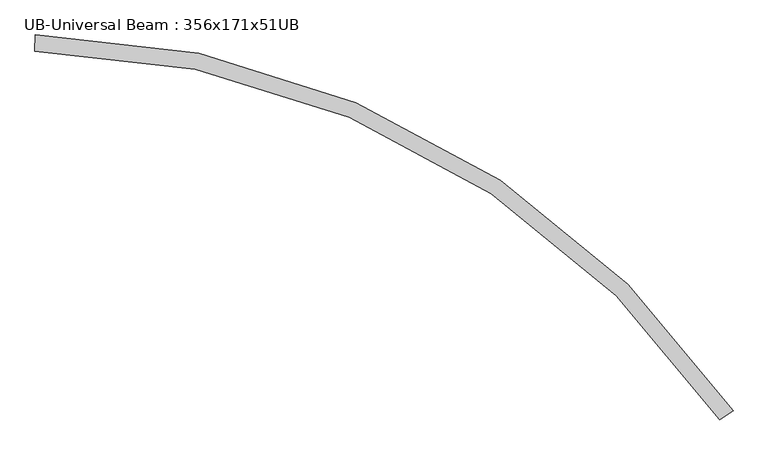
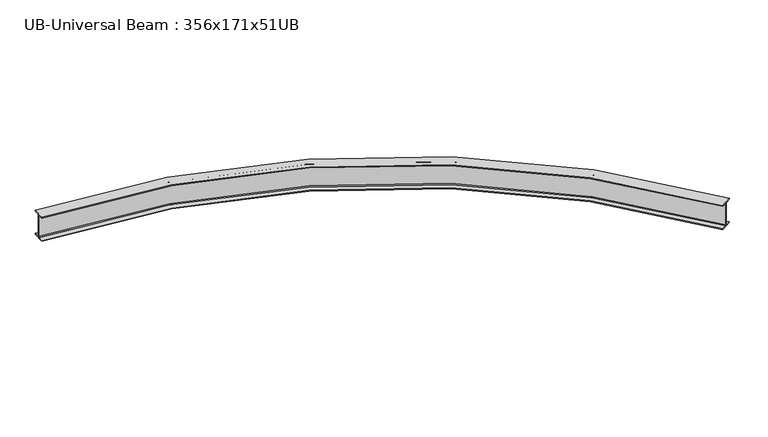
"""IFC4 building model written with IfcOpenShell, lengths in millimetres: beam geometry, UB-Universal Beam : 356x171x51UB."""

from ifc_helpers import new_model, si_unit, point, frame, origin, place, context, project, spatial, polyline, circle_curve, ellipse_curve, trimmed, source, transform, mapped, element, save
from ifc_brep_helpers import plane_surface, cylinder_surface, revolved_surface, advanced_brep


def ub_universal_beam_356x171x51ub_30beb4e2(model_context):
    return source(origin(), model_context, "Body", "AdvancedBrep", [
        advanced_brep(
        [(7578.4772598, -3909.1729478, -166.0), (7519.1991833, -3949.7750678, -166.0), (7510.783924, -3955.5390431, -155.8), (7510.783924, -3955.5390431, 155.8), (7519.1991833, -3949.7750678, 166.0), (7578.4772598, -3909.1729478, 166.0), (7578.4772598, -3909.1729478, 177.5), (7436.9854001, -4006.0868459, 177.5), (7436.9854001, -4006.0868459, 166.0), (7496.2634766, -3965.4847259, 166.0), (7504.6787359, -3959.7207506, 155.8), (7504.6787359, -3959.7207506, -155.8), (7496.2634766, -3965.4847259, -166.0), (7436.9854001, -4006.0868459, -166.0), (7436.9854001, -4006.0868459, -177.5), (7578.4772598, -3909.1729478, -177.5), (159.8113622, 84.3597159, -166.0), (159.8113622, 84.3597159, -177.5), (156.8276485, -87.1143272, -177.5), (156.8276485, -87.1143272, -166.0), (158.0776767, -15.2752018, -166.0), (158.2551337, -5.0767456, -155.8), (158.2551337, -5.0767456, 155.8), (158.0776767, -15.2752018, 166.0), (156.8276485, -87.1143272, 166.0), (156.8276485, -87.1143272, 177.5), (159.8113622, 84.3597159, 177.5), (159.8113622, 84.3597159, 166.0), (158.561334, 12.5205906, 166.0), (158.383877, 2.3221344, 155.8), (158.383877, 2.3221344, -155.8), (158.561334, 12.5205906, -166.0)],
        [
            (0, 1),
            (1, 2, circle_curve(frame((7519.1991833, -3949.7750678, -155.8), z_axis=(-0.5650956157296757, 0.8250254208708352, 0.0), x_axis=(-0.8250254208708352, -0.5650956157296757, 0.0)), 10.2)),
            (2, 3),
            (3, 4, circle_curve(frame((7519.1991833, -3949.7750678, 155.8), z_axis=(-0.5650956157296757, 0.8250254208708352, 0.0), x_axis=(-0.8250254208708352, -0.5650956157296757, 0.0)), 10.2)),
            (4, 5),
            (5, 6),
            (6, 7),
            (7, 8),
            (8, 9),
            (9, 10, circle_curve(frame((7496.2634766, -3965.4847259, 155.8), z_axis=(-0.5650956157296757, 0.8250254208708352, 0.0), x_axis=(-0.8250254208708352, -0.5650956157296757, 0.0)), 10.2)),
            (10, 11),
            (11, 12, circle_curve(frame((7496.2634766, -3965.4847259, -155.8), z_axis=(-0.5650956157296757, 0.8250254208708352, 0.0), x_axis=(-0.8250254208708352, -0.5650956157296757, 0.0)), 10.2)),
            (12, 13),
            (13, 14),
            (14, 15),
            (15, 0),
            (16, 17),
            (17, 18),
            (18, 19),
            (19, 20),
            (20, 21, circle_curve(frame((158.0776767, -15.2752018, -155.8), z_axis=(0.999848647731282, -0.017397747840649035, 0.0), x_axis=(-0.017397747840649035, -0.999848647731282, 0.0)), 10.2)),
            (21, 22),
            (22, 23, circle_curve(frame((158.0776767, -15.2752018, 155.8), z_axis=(0.999848647731282, -0.017397747840649035, 0.0), x_axis=(-0.017397747840649035, -0.999848647731282, 0.0)), 10.2)),
            (23, 24),
            (24, 25),
            (25, 26),
            (26, 27),
            (27, 28),
            (28, 29, circle_curve(frame((158.561334, 12.5205906, 155.8), z_axis=(0.999848647731282, -0.017397747840649028, 0.0), x_axis=(-0.017397747840649028, -0.999848647731282, 0.0)), 10.2)),
            (29, 30),
            (30, 31, circle_curve(frame((158.561334, 12.5205906, -155.8), z_axis=(0.999848647731282, -0.01739774784064903, 0.0), x_axis=(-0.01739774784064903, -0.999848647731282, 0.0)), 10.2)),
            (31, 16),
            (0, 16, circle_curve(frame((0.0, -9100.0, -166.0), z_axis=(0.0, 0.0, 1.0), x_axis=(-0.004860902165047601, 0.9999881857452827, 0.0)), 9185.75)),
            (31, 1, circle_curve(frame((0.0, -9100.0, -166.0), z_axis=(0.0, 0.0, -1.0), x_axis=(-0.004860902165047601, 0.9999881857452827, 0.0)), 9113.9)),
            (30, 2, circle_curve(frame((0.0, -9100.0, -155.8), z_axis=(0.0, 0.0, -1.0), x_axis=(-0.004860902165047601, 0.9999881857452827, 0.0)), 9103.7)),
            (29, 3, circle_curve(frame((0.0, -9100.0, 155.8), z_axis=(0.0, 0.0, -1.0), x_axis=(-0.004860902165047601, 0.9999881857452827, 0.0)), 9103.7)),
            (28, 4, circle_curve(frame((0.0, -9100.0, 166.0), z_axis=(0.0, 0.0, -1.0), x_axis=(-0.004860902165047601, 0.9999881857452827, 0.0)), 9113.9)),
            (27, 5, circle_curve(frame((0.0, -9100.0, 166.0), z_axis=(0.0, 0.0, -1.0), x_axis=(-0.004860902165047601, 0.9999881857452827, 0.0)), 9185.75)),
            (26, 6, circle_curve(frame((0.0, -9100.0, 177.5), z_axis=(0.0, 0.0, -1.0), x_axis=(-0.004860902165047601, 0.9999881857452827, 0.0)), 9185.75)),
            (25, 7, circle_curve(frame((0.0, -9100.0, 177.5), z_axis=(0.0, 0.0, -1.0), x_axis=(-0.004860902165047601, 0.9999881857452827, 0.0)), 9014.25)),
            (24, 8, circle_curve(frame((0.0, -9100.0, 166.0), z_axis=(0.0, 0.0, -1.0), x_axis=(-0.004860902165047601, 0.9999881857452827, 0.0)), 9014.25)),
            (23, 9, circle_curve(frame((0.0, -9100.0, 166.0), z_axis=(0.0, 0.0, -1.0), x_axis=(-0.004860902165047601, 0.9999881857452827, 0.0)), 9086.1)),
            (22, 10, circle_curve(frame((0.0, -9100.0, 155.8), z_axis=(0.0, 0.0, -1.0), x_axis=(-0.004860902165047601, 0.9999881857452827, 0.0)), 9096.3)),
            (21, 11, circle_curve(frame((0.0, -9100.0, -155.8), z_axis=(0.0, 0.0, -1.0), x_axis=(-0.004860902165047601, 0.9999881857452827, 0.0)), 9096.3)),
            (20, 12, circle_curve(frame((0.0, -9100.0, -166.0), z_axis=(0.0, 0.0, -1.0), x_axis=(-0.004860902165047601, 0.9999881857452827, 0.0)), 9086.1)),
            (19, 13, circle_curve(frame((0.0, -9100.0, -166.0), z_axis=(0.0, 0.0, -1.0), x_axis=(-0.004860902165047601, 0.9999881857452827, 0.0)), 9014.25)),
            (18, 14, circle_curve(frame((0.0, -9100.0, -177.5), z_axis=(0.0, 0.0, -1.0), x_axis=(-0.004860902165047601, 0.9999881857452827, 0.0)), 9014.25)),
            (17, 15, circle_curve(frame((0.0, -9100.0, -177.5), z_axis=(0.0, 0.0, -1.0), x_axis=(-0.004860902165047601, 0.9999881857452827, 0.0)), 9185.75)),
        ],
        [
            plane_surface(frame((7507.7313299, -3957.6298969, 0.0), z_axis=(0.5650956157296702, -0.825025420870839, 0.0), x_axis=(0.0, 0.0, 1.0))),
            plane_surface(frame((158.3195053, -1.3773056, 0.0), z_axis=(-0.9998486477312819, 0.017397747840655696, 0.0), x_axis=(0.0, 0.0, 1.0))),
            plane_surface(frame((0.0, -9100.0, -166.0), z_axis=(0.0, 0.0, 1.0000000000000002), x_axis=(-0.004860902165047601, 0.9999881857452827, 0.0))),
            revolved_surface(trimmed(ellipse_curve(frame((-44.3017762, 13.7923261, -155.8), z_axis=(0.9999881857452827, 0.0048609021650542605, 0.0), x_axis=(0.0048609021650542605, -0.9999881857452827, 0.0)), 10.2, 10.2), [point((-44.252195, 3.5924466, -155.8))], [point((-44.3017762, 13.7923261, -166.0))], True, "CARTESIAN"), (0.0, -9100.0, 0.0), (0.0, 0.0, -1.0000000000000002)),
            cylinder_surface(frame((0.0, -9100.0, 0.0), z_axis=(0.0, 0.0, -1.0000000000000002), x_axis=(-0.004860902165047601, 0.9999881857452827, 0.0)), 9103.7),
            revolved_surface(trimmed(ellipse_curve(frame((-44.3017762, 13.7923261, 155.8), z_axis=(0.9999881857452827, 0.0048609021650542605, 0.0), x_axis=(0.0048609021650542605, -0.9999881857452827, 0.0)), 10.2, 10.2), [point((-44.3017762, 13.7923261, 166.0))], [point((-44.252195, 3.5924466, 155.8))], True, "CARTESIAN"), (0.0, -9100.0, 0.0), (0.0, 0.0, -1.0000000000000002)),
            plane_surface(frame((0.0, -9100.0, 166.0), z_axis=(0.0, 0.0, -1.0000000000000002), x_axis=(-0.004860902165047601, 0.9999881857452827, 0.0))),
            cylinder_surface(frame((0.0, -9100.0, 0.0), z_axis=(0.0, 0.0, -1.0000000000000002), x_axis=(-0.004860902165047601, 0.9999881857452827, 0.0)), 9185.75),
            plane_surface(frame((0.0, -9100.0, 177.5), z_axis=(0.0, 0.0, 1.0000000000000002), x_axis=(-0.004860902165047601, 0.9999881857452827, 0.0))),
            revolved_surface(polyline([(-43.81738734128034, -85.85649664558514, 166.00000000000006), (-43.81738734128034, -85.85649664558514, 177.50000000000006)]), (0.0, -9100.0, 0.0), (0.0, 0.0, -1.0000000000000002)),
            revolved_surface(trimmed(ellipse_curve(frame((-44.1666432, -14.0073455, 155.8), z_axis=(0.9999881857452827, 0.0048609021650542605, 0.0), x_axis=(0.0048609021650542605, -0.9999881857452827, 0.0)), 10.2, 10.2), [point((-44.2162244, -3.807466, 155.8))], [point((-44.1666432, -14.0073455, 166.0))], True, "CARTESIAN"), (0.0, -9100.0, 0.0), (0.0, 0.0, -1.0000000000000002)),
            revolved_surface(polyline([(-44.216224363922485, -3.807466005186143, -155.80000000000007), (-44.216224363922485, -3.807466005186143, 155.80000000000007)]), (0.0, -9100.0, 0.0), (0.0, 0.0, -1.0000000000000002)),
            revolved_surface(trimmed(ellipse_curve(frame((-44.1666432, -14.0073455, -155.8), z_axis=(0.9999881857452827, 0.0048609021650542605, 0.0), x_axis=(0.0048609021650542605, -0.9999881857452827, 0.0)), 10.2, 10.2), [point((-44.1666432, -14.0073455, -166.0))], [point((-44.2162244, -3.807466, -155.8))], True, "CARTESIAN"), (0.0, -9100.0, 0.0), (0.0, 0.0, -1.0000000000000002)),
            revolved_surface(polyline([(-43.81738734128034, -85.85649664558514, -177.50000000000006), (-43.81738734128034, -85.85649664558514, -166.00000000000006)]), (0.0, -9100.0, 0.0), (0.0, 0.0, -1.0000000000000002)),
            plane_surface(frame((0.0, -9100.0, -177.5), z_axis=(0.0, 0.0, -1.0000000000000002), x_axis=(-0.004860902165047601, 0.9999881857452827, 0.0))),
        ],
        [
            (0, [[1, 2, 3, 4, 5, 6, 7, 8, 9, 10, 11, 12, 13, 14, 15, 16]]),
            (1, [[17, 18, 19, 20, 21, 22, 23, 24, 25, 26, 27, 28, 29, 30, 31, 32]]),
            (2, [[-1, 33, -32, 34]]),
            (3, [[-2, -34, -31, 35]]),
            (4, [[-3, -35, -30, 36]]),
            (5, [[-4, -36, -29, 37]]),
            (6, [[-5, -37, -28, 38]]),
            (7, [[-6, -38, -27, 39]]),
            (8, [[-7, -39, -26, 40]]),
            (9, [[-8, -40, -25, 41]]),
            (6, [[-9, -41, -24, 42]]),
            (10, [[-10, -42, -23, 43]]),
            (11, [[-11, -43, -22, 44]]),
            (12, [[-12, -44, -21, 45]]),
            (2, [[-13, -45, -20, 46]]),
            (13, [[-14, -46, -19, 47]]),
            (14, [[-15, -47, -18, 48]]),
            (7, [[-16, -48, -17, -33]]),
        ],
    ),
    ])


if __name__ == "__main__":
    model = new_model("IFC4")
    model_context = context("Model", 3, world=origin())
    ifc_project = project(units=[si_unit("LENGTHUNIT", "METRE", prefix="MILLI")], contexts=[model_context])
    site = spatial("IfcSite", under=ifc_project)
    building = spatial("IfcBuilding", under=site)
    placement = place(None, origin())
    ub_universal_beam_356x171x51ub_shape = ub_universal_beam_356x171x51ub_30beb4e2(model_context)
    element("IfcBeam", 1, ObjectType="UB-Universal Beam : 356x171x51UB", at=placement, inside=building, context=model_context, shape_type="MappedRepresentation", body=[
        mapped(ub_universal_beam_356x171x51ub_shape, transform((0.0, 0.0, 0.0), x_axis=(1.0, 0.0, 0.0), y_axis=(0.0, 1.0, 0.0), z_axis=(0.0, 0.0, 1.0))),
    ])
    save(model, "model.ifc")
